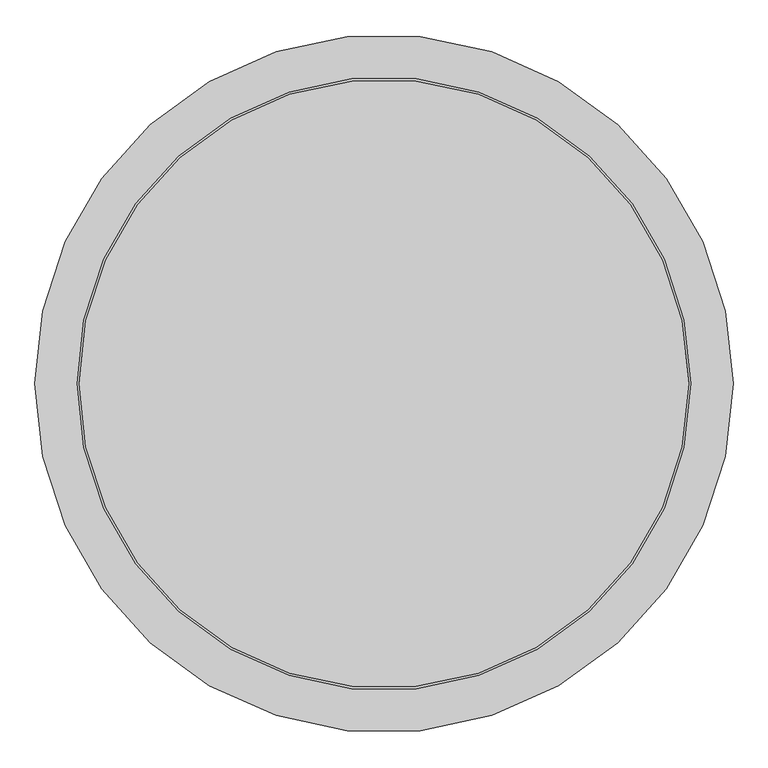
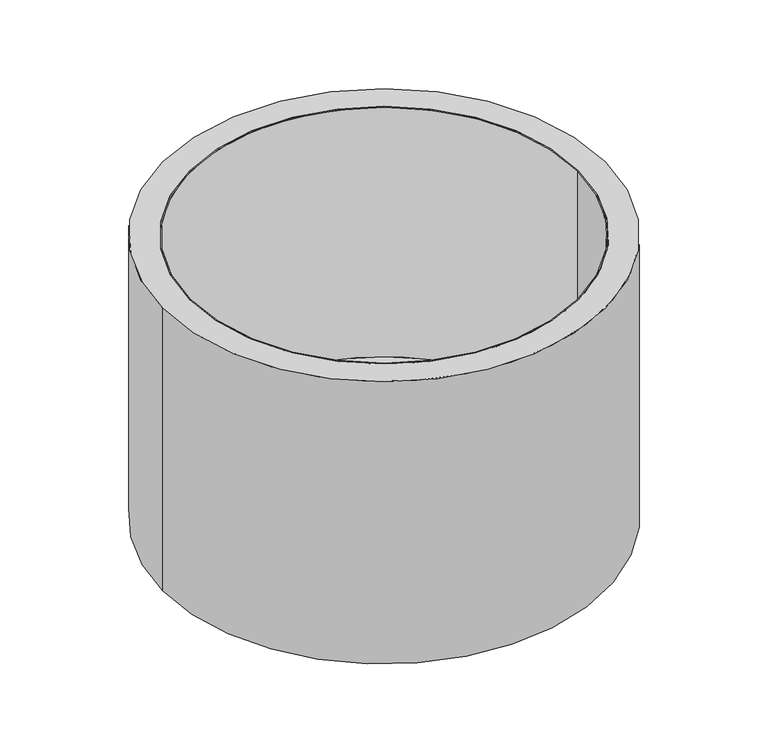
"""IFC4 building model written with IfcOpenShell, lengths in millimetres: proxy geometry."""

from ifc_helpers import new_model, si_unit, frame, origin, origin_with_axes, place, context, project, spatial, polyline, circle_curve, source, transform, mapped, element, save
from ifc_brep_helpers import plane_surface, cylinder_surface, revolved_surface, advanced_brep


def generic_models_f7c8826c(model_context):
    return source(origin(), model_context, "Body", "AdvancedBrep", [
        advanced_brep(
        [(576.0, 0.0, 104.0), (-576.0, 0.0, 104.0), (-580.0, 0.0, 100.0), (580.0, 0.0, 100.0), (580.0, 0.0, 104.0), (-580.0, 0.0, 104.0), (-580.0, 0.0, 890.0), (580.0, 0.0, 890.0), (-576.0, 0.0, 890.0), (576.0, 0.0, 890.0)],
        [
            (0, 1, circle_curve(frame((0.0, 0.0, 104.0), z_axis=(0.0, 0.0, 1.0), x_axis=(1.0, 0.0, 0.0)), 576.0)),
            (1, 0, circle_curve(frame((0.0, 0.0, 104.0), z_axis=(0.0, 0.0, 1.0), x_axis=(1.0, 0.0, 0.0)), 576.0)),
            (2, 3, circle_curve(frame((0.0, 0.0, 100.0), z_axis=(0.0, 0.0, -1.0), x_axis=(1.0, 0.0, 0.0)), 580.0)),
            (3, 2, circle_curve(frame((0.0, 0.0, 100.0), z_axis=(0.0, 0.0, -1.0), x_axis=(1.0, 0.0, 0.0)), 580.0)),
            (3, 4),
            (4, 5, circle_curve(frame((0.0, 0.0, 104.0), z_axis=(0.0, 0.0, -1.0), x_axis=(1.0, 0.0, 0.0)), 580.0)),
            (5, 2),
            (5, 4, circle_curve(frame((0.0, 0.0, 104.0), z_axis=(0.0, 0.0, -1.0), x_axis=(1.0, 0.0, 0.0)), 580.0)),
            (6, 7, circle_curve(frame((0.0, 0.0, 890.0), z_axis=(0.0, 0.0, 1.0), x_axis=(1.0, 0.0, 0.0)), 580.0)),
            (7, 6, circle_curve(frame((0.0, 0.0, 890.0), z_axis=(0.0, 0.0, 1.0), x_axis=(1.0, 0.0, 0.0)), 580.0)),
            (8, 9, circle_curve(frame((0.0, 0.0, 890.0), z_axis=(0.0, 0.0, -1.0), x_axis=(1.0, 0.0, 0.0)), 576.0)),
            (9, 8, circle_curve(frame((0.0, 0.0, 890.0), z_axis=(0.0, 0.0, -1.0), x_axis=(1.0, 0.0, 0.0)), 576.0)),
            (6, 5),
            (4, 7),
            (8, 1),
            (0, 9),
        ],
        [
            plane_surface(frame((580.0, 0.0, 104.0), z_axis=(0.0, 0.0, 1.0), x_axis=(0.0, 1.0, 0.0))),
            plane_surface(frame((580.0, 0.0, 100.0), z_axis=(0.0, 0.0, -1.0), x_axis=(0.0, -1.0, 0.0))),
            cylinder_surface(frame((0.0, 0.0, 100.0), z_axis=(0.0, 0.0, 1.0), x_axis=(1.0, 0.0, 0.0)), 580.0),
            plane_surface(frame((580.0, 0.0, 890.0), z_axis=(0.0, 0.0, 1.0), x_axis=(0.0, 1.0, 0.0))),
            revolved_surface(polyline([(576.0, 0.0, 104.0), (576.0, 0.0, 890.0)]), (0.0, 0.0, 0.0), (0.0, 0.0, -1.0)),
        ],
        [
            (0, [[1, 2]]),
            (1, [[3, 4]]),
            (2, [[-4, 5, 6, 7]]),
            (2, [[-3, -7, 8, -5]]),
            (3, [[9, 10], [11, 12]]),
            (2, [[-9, 13, -6, 14]]),
            (2, [[-10, -14, -8, -13]]),
            (4, [[-11, 15, -1, 16]]),
            (4, [[-12, -16, -2, -15]]),
        ],
    ),
        advanced_brep(
        [(-660.0, 0.0, 890.0), (660.0, 0.0, 890.0), (580.0, 0.0, 890.0), (-580.0, 0.0, 890.0), (-660.0, 0.0, 0.0), (660.0, 0.0, 0.0), (-580.0, 0.0, 100.0), (580.0, 0.0, 100.0)],
        [
            (0, 1, circle_curve(frame((0.0, 0.0, 890.0), z_axis=(0.0, 0.0, 1.0), x_axis=(1.0, 0.0, 0.0)), 660.0)),
            (1, 0, circle_curve(frame((0.0, 0.0, 890.0), z_axis=(0.0, 0.0, 1.0), x_axis=(1.0, 0.0, 0.0)), 660.0)),
            (2, 3, circle_curve(frame((0.0, 0.0, 890.0), z_axis=(0.0, 0.0, -1.0), x_axis=(1.0, 0.0, 0.0)), 580.0)),
            (3, 2, circle_curve(frame((0.0, 0.0, 890.0), z_axis=(0.0, 0.0, -1.0), x_axis=(1.0, 0.0, 0.0)), 580.0)),
            (4, 5, circle_curve(frame((0.0, 0.0, 0.0), z_axis=(0.0, 0.0, -1.0), x_axis=(1.0, 0.0, 0.0)), 660.0)),
            (5, 4, circle_curve(frame((0.0, 0.0, 0.0), z_axis=(0.0, 0.0, -1.0), x_axis=(1.0, 0.0, 0.0)), 660.0)),
            (0, 4),
            (5, 1),
            (6, 7, circle_curve(frame((0.0, 0.0, 100.0), z_axis=(0.0, 0.0, 1.0), x_axis=(1.0, 0.0, 0.0)), 580.0)),
            (7, 6, circle_curve(frame((0.0, 0.0, 100.0), z_axis=(0.0, 0.0, 1.0), x_axis=(1.0, 0.0, 0.0)), 580.0)),
            (6, 3),
            (2, 7),
        ],
        [
            plane_surface(frame((660.0, 0.0, 890.0), z_axis=(0.0, 0.0, 1.0), x_axis=(0.0, 1.0, 0.0))),
            plane_surface(frame((660.0, 0.0, 0.0), z_axis=(0.0, 0.0, -1.0), x_axis=(0.0, -1.0, 0.0))),
            cylinder_surface(origin_with_axes(), 660.0),
            plane_surface(frame((580.0, 0.0, 100.0), z_axis=(0.0, 0.0, 1.0), x_axis=(0.0, -1.0, 0.0))),
            revolved_surface(polyline([(580.0, 0.0, 890.0), (580.0, 0.0, 100.0)]), (0.0, 0.0, 100.0), (0.0, 0.0, 1.0)),
        ],
        [
            (0, [[1, 2], [3, 4]]),
            (1, [[5, 6]]),
            (2, [[-1, 7, -6, 8]]),
            (2, [[-2, -8, -5, -7]]),
            (3, [[9, 10]]),
            (4, [[-9, 11, -3, 12]]),
            (4, [[-10, -12, -4, -11]]),
        ],
    ),
    ])


if __name__ == "__main__":
    model = new_model("IFC4")
    model_context = context("Model", 3, world=origin())
    ifc_project = project(units=[si_unit("LENGTHUNIT", "METRE", prefix="MILLI")], contexts=[model_context])
    site = spatial("IfcSite", under=ifc_project)
    building = spatial("IfcBuilding", under=site)
    placement = place(None, origin())
    generic_models_shape = generic_models_f7c8826c(model_context)
    element("IfcBuildingElementProxy", 1, Name="Generic Models", at=placement, inside=building, context=model_context, shape_type="MappedRepresentation", body=[
        mapped(generic_models_shape, transform((0.0, 0.0, 0.0), x_axis=(1.0, 0.0, 0.0), y_axis=(0.0, 1.0, 0.0), z_axis=(0.0, 0.0, 1.0))),
    ])
    save(model, "model.ifc")
